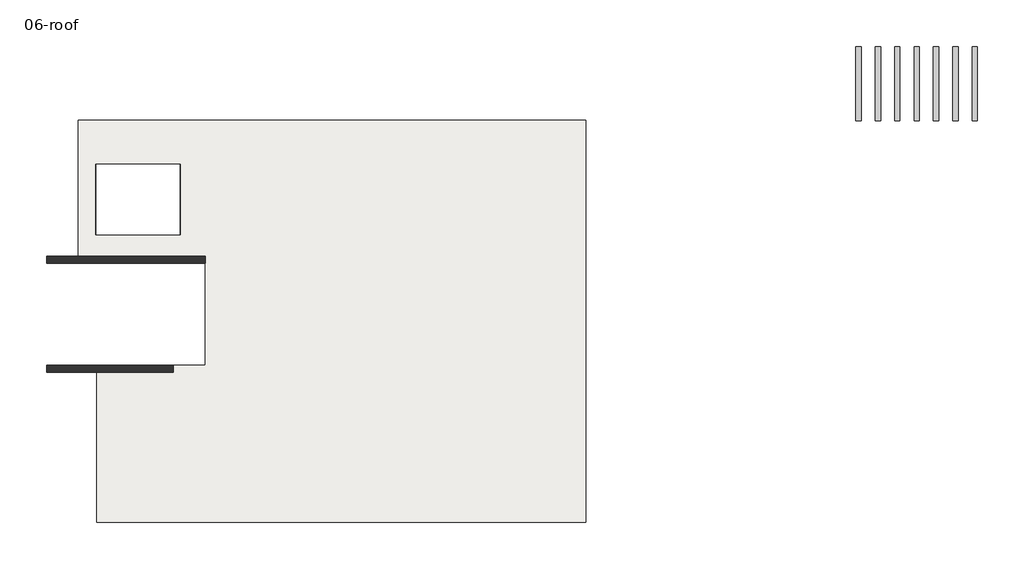
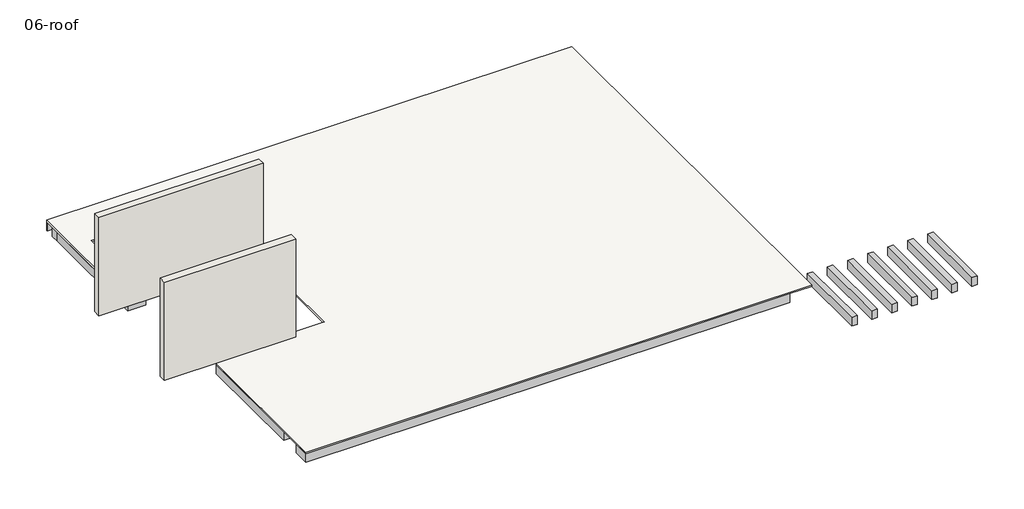
# One storey: 64 beams, 2 walls, 1 slab.
"""IFC4 building model written with IfcOpenShell, lengths in millimetres."""

from ifc_helpers import new_model, si_unit, frame, origin, place, context, project, spatial, polyline, outline, extrude, faceted_brep, element, save

model = new_model("IFC4")

# Units and contexts
model_context = context("Model", 3, world=origin())
ifc_project = project(units=[si_unit("LENGTHUNIT", "METRE", prefix="MILLI")], contexts=[model_context])

# Site, building, storey
site = spatial("IfcSite", under=ifc_project)
building = spatial("IfcBuilding", under=site)
storey = spatial("IfcBuildingStorey", under=building, Name="06-roof", Elevation=14000.0)

# Beams
placement = place(None, origin())
element("IfcBeam", 1, ObjectType="B 150 x 250 mm", at=placement, inside=storey, context=model_context, shape_type="SweptSolid", body=[
    extrude(outline(polyline([(21975.0195763, 153.106066), (21825.0195763, 153.106066), (21825.0195763, 2253.106066), (21975.0195763, 2253.106066), (21975.0195763, 153.106066)])), frame((0.0, 0.0, 3200.0), z_axis=(0.0, 0.0, 1.0), x_axis=(1.0, 0.0, 0.0)), (0.0, 0.0, 1.0), 250.0),
])
element("IfcBeam", 2, ObjectType="B 150 x 250 mm", at=placement, inside=storey, context=model_context, shape_type="SweptSolid", body=[
    extrude(outline(polyline([(22525.0195763, 153.106066), (22375.0195763, 153.106066), (22375.0195763, 2253.106066), (22525.0195763, 2253.106066), (22525.0195763, 153.106066)])), frame((0.0, 0.0, 3200.0), z_axis=(0.0, 0.0, 1.0), x_axis=(1.0, 0.0, 0.0)), (0.0, 0.0, 1.0), 250.0),
])
element("IfcBeam", 3, ObjectType="B 150 x 250 mm", at=placement, inside=storey, context=model_context, shape_type="SweptSolid", body=[
    extrude(outline(polyline([(23075.0195763, 153.106066), (22925.0195763, 153.106066), (22925.0195763, 2253.106066), (23075.0195763, 2253.106066), (23075.0195763, 153.106066)])), frame((0.0, 0.0, 3200.0), z_axis=(0.0, 0.0, 1.0), x_axis=(1.0, 0.0, 0.0)), (0.0, 0.0, 1.0), 250.0),
])
element("IfcBeam", 4, ObjectType="B 150 x 250 mm", at=placement, inside=storey, context=model_context, shape_type="SweptSolid", body=[
    extrude(outline(polyline([(23625.0195763, 153.106066), (23475.0195763, 153.106066), (23475.0195763, 2253.106066), (23625.0195763, 2253.106066), (23625.0195763, 153.106066)])), frame((0.0, 0.0, 3200.0), z_axis=(0.0, 0.0, 1.0), x_axis=(1.0, 0.0, 0.0)), (0.0, 0.0, 1.0), 250.0),
])
element("IfcBeam", 5, ObjectType="B 150 x 250 mm", at=placement, inside=storey, context=model_context, shape_type="SweptSolid", body=[
    extrude(outline(polyline([(24175.0195763, 153.106066), (24025.0195763, 153.106066), (24025.0195763, 2253.106066), (24175.0195763, 2253.106066), (24175.0195763, 153.106066)])), frame((0.0, 0.0, 3200.0), z_axis=(0.0, 0.0, 1.0), x_axis=(1.0, 0.0, 0.0)), (0.0, 0.0, 1.0), 250.0),
])
element("IfcBeam", 6, ObjectType="B 150 x 250 mm", at=placement, inside=storey, context=model_context, shape_type="SweptSolid", body=[
    extrude(outline(polyline([(24725.0195763, 153.106066), (24575.0195763, 153.106066), (24575.0195763, 2253.106066), (24725.0195763, 2253.106066), (24725.0195763, 153.106066)])), frame((0.0, 0.0, 3200.0), z_axis=(0.0, 0.0, 1.0), x_axis=(1.0, 0.0, 0.0)), (0.0, 0.0, 1.0), 250.0),
])
element("IfcBeam", 7, ObjectType="B 150 x 250 mm", at=placement, inside=storey, context=model_context, shape_type="SweptSolid", body=[
    extrude(outline(polyline([(25275.0195763, 153.106066), (25125.0195763, 153.106066), (25125.0195763, 2253.106066), (25275.0195763, 2253.106066), (25275.0195763, 153.106066)])), frame((0.0, 0.0, 3200.0), z_axis=(0.0, 0.0, 1.0), x_axis=(1.0, 0.0, 0.0)), (0.0, 0.0, 1.0), 250.0),
])
element("IfcBeam", 8, ObjectType="B 150 x 250 mm", at=placement, inside=storey, context=model_context, shape_type="SweptSolid", body=[
    extrude(outline(polyline([(10825.0390798, -346.893934), (10975.0390798, -346.893934), (10975.0390798, -3095.451857), (10825.0390798, -3095.451857), (10825.0390798, -346.893934)])), frame((0.0, 0.0, 13700.0), z_axis=(0.0, 0.0, 1.0), x_axis=(1.0, 0.0, 0.0)), (0.0, 0.0, 1.0), 250.0),
])
element("IfcBeam", 9, ObjectType="B 150 x 250 mm", at=placement, inside=storey, context=model_context, shape_type="SweptSolid", body=[
    extrude(outline(polyline([(11375.0390798, -346.893934), (11525.0390798, -346.893934), (11525.0390798, -3095.451857), (11375.0390798, -3095.451857), (11375.0390798, -346.893934)])), frame((0.0, 0.0, 13700.0), z_axis=(0.0, 0.0, 1.0), x_axis=(1.0, 0.0, 0.0)), (0.0, 0.0, 1.0), 250.0),
])
element("IfcBeam", 10, ObjectType="B 150 x 250 mm", at=placement, inside=storey, context=model_context, shape_type="SweptSolid", body=[
    extrude(outline(polyline([(11925.0390798, -346.893934), (12075.0390798, -346.893934), (12075.0390798, -3095.451857), (11925.0390798, -3095.451857), (11925.0390798, -346.893934)])), frame((0.0, 0.0, 13700.0), z_axis=(0.0, 0.0, 1.0), x_axis=(1.0, 0.0, 0.0)), (0.0, 0.0, 1.0), 250.0),
])
element("IfcBeam", 11, ObjectType="B 150 x 250 mm", at=placement, inside=storey, context=model_context, shape_type="SweptSolid", body=[
    extrude(outline(polyline([(12475.0390798, -346.893934), (12625.0390798, -346.893934), (12625.0390798, -3095.451857), (12475.0390798, -3095.451857), (12475.0390798, -346.893934)])), frame((0.0, 0.0, 13700.0), z_axis=(0.0, 0.0, 1.0), x_axis=(1.0, 0.0, 0.0)), (0.0, 0.0, 1.0), 250.0),
])
element("IfcBeam", 12, ObjectType="B 150 x 250 mm", at=placement, inside=storey, context=model_context, shape_type="SweptSolid", body=[
    extrude(outline(polyline([(13025.0390798, -346.893934), (13175.0390798, -346.893934), (13175.0390798, -3095.451857), (13025.0390798, -3095.451857), (13025.0390798, -346.893934)])), frame((0.0, 0.0, 13700.0), z_axis=(0.0, 0.0, 1.0), x_axis=(1.0, 0.0, 0.0)), (0.0, 0.0, 1.0), 250.0),
])
element("IfcBeam", 13, ObjectType="B 150 x 250 mm", at=placement, inside=storey, context=model_context, shape_type="SweptSolid", body=[
    extrude(outline(polyline([(9425.0390798, -346.893934), (9575.0390798, -346.893934), (9575.0390798, -3095.451857), (9425.0390798, -3095.451857), (9425.0390798, -346.893934)])), frame((0.0, 0.0, 13700.0), z_axis=(0.0, 0.0, 1.0), x_axis=(1.0, 0.0, 0.0)), (0.0, 0.0, 1.0), 250.0),
])
element("IfcBeam", 14, ObjectType="B 150 x 250 mm", at=placement, inside=storey, context=model_context, shape_type="SweptSolid", body=[
    extrude(outline(polyline([(8875.0390798, -346.893934), (9025.0390798, -346.893934), (9025.0390798, -3095.451857), (8875.0390798, -3095.451857), (8875.0390798, -346.893934)])), frame((0.0, 0.0, 13700.0), z_axis=(0.0, 0.0, 1.0), x_axis=(1.0, 0.0, 0.0)), (0.0, 0.0, 1.0), 250.0),
])
element("IfcBeam", 15, ObjectType="B 150 x 250 mm", at=placement, inside=storey, context=model_context, shape_type="SweptSolid", body=[
    extrude(outline(polyline([(8325.0390798, -346.893934), (8475.0390798, -346.893934), (8475.0390798, -3095.451857), (8325.0390798, -3095.451857), (8325.0390798, -346.893934)])), frame((0.0, 0.0, 13700.0), z_axis=(0.0, 0.0, 1.0), x_axis=(1.0, 0.0, 0.0)), (0.0, 0.0, 1.0), 250.0),
])
element("IfcBeam", 16, ObjectType="B 150 x 250 mm", at=placement, inside=storey, context=model_context, shape_type="SweptSolid", body=[
    extrude(outline(polyline([(7775.0390798, -346.893934), (7925.0390798, -346.893934), (7925.0390798, -3095.451857), (7775.0390798, -3095.451857), (7775.0390798, -346.893934)])), frame((0.0, 0.0, 13700.0), z_axis=(0.0, 0.0, 1.0), x_axis=(1.0, 0.0, 0.0)), (0.0, 0.0, 1.0), 250.0),
])
element("IfcBeam", 17, ObjectType="B 150 x 250 mm", at=placement, inside=storey, context=model_context, shape_type="SweptSolid", body=[
    extrude(outline(polyline([(7225.0390798, -346.893934), (7375.0390798, -346.893934), (7375.0390798, -3095.451857), (7225.0390798, -3095.451857), (7225.0390798, -346.893934)])), frame((0.0, 0.0, 13700.0), z_axis=(0.0, 0.0, 1.0), x_axis=(1.0, 0.0, 0.0)), (0.0, 0.0, 1.0), 250.0),
])
element("IfcBeam", 18, ObjectType="B 150 x 250 mm", at=placement, inside=storey, context=model_context, shape_type="SweptSolid", body=[
    extrude(outline(polyline([(5975.0195399, -346.893934), (6125.0195399, -346.893934), (6125.0195399, -3095.451857), (5975.0195399, -3095.451857), (5975.0195399, -346.893934)])), frame((0.0, 0.0, 13700.0), z_axis=(0.0, 0.0, 1.0), x_axis=(1.0, 0.0, 0.0)), (0.0, 0.0, 1.0), 250.0),
])
element("IfcBeam", 19, ObjectType="B 150 x 250 mm", at=placement, inside=storey, context=model_context, shape_type="SweptSolid", body=[
    extrude(outline(polyline([(5425.0195399, -346.893934), (5575.0195399, -346.893934), (5575.0195399, -3095.451857), (5425.0195399, -3095.451857), (5425.0195399, -346.893934)])), frame((0.0, 0.0, 13700.0), z_axis=(0.0, 0.0, 1.0), x_axis=(1.0, 0.0, 0.0)), (0.0, 0.0, 1.0), 250.0),
])
element("IfcBeam", 20, ObjectType="B 150 x 250 mm", at=placement, inside=storey, context=model_context, shape_type="SweptSolid", body=[
    extrude(outline(polyline([(4875.0195399, -346.893934), (5025.0195399, -346.893934), (5025.0195399, -3095.451857), (4875.0195399, -3095.451857), (4875.0195399, -346.893934)])), frame((0.0, 0.0, 13700.0), z_axis=(0.0, 0.0, 1.0), x_axis=(1.0, 0.0, 0.0)), (0.0, 0.0, 1.0), 250.0),
])
element("IfcBeam", 21, ObjectType="B 150 x 250 mm", at=placement, inside=storey, context=model_context, shape_type="SweptSolid", body=[
    extrude(outline(polyline([(4325.0195399, -346.893934), (4475.0195399, -346.893934), (4475.0195399, -3095.451857), (4325.0195399, -3095.451857), (4325.0195399, -346.893934)])), frame((0.0, 0.0, 13700.0), z_axis=(0.0, 0.0, 1.0), x_axis=(1.0, 0.0, 0.0)), (0.0, 0.0, 1.0), 250.0),
])
element("IfcBeam", 22, ObjectType="B 150 x 250 mm", at=placement, inside=storey, context=model_context, shape_type="SweptSolid", body=[
    extrude(outline(polyline([(3775.0195399, -346.893934), (3925.0195399, -346.893934), (3925.0195399, -3095.451857), (3775.0195399, -3095.451857), (3775.0195399, -346.893934)])), frame((0.0, 0.0, 13700.0), z_axis=(0.0, 0.0, 1.0), x_axis=(1.0, 0.0, 0.0)), (0.0, 0.0, 1.0), 250.0),
])
element("IfcBeam", 23, ObjectType="B 150 x 250 mm", at=placement, inside=storey, context=model_context, shape_type="SweptSolid", body=[
    extrude(outline(polyline([(3225.0195399, -346.893934), (3375.0195399, -346.893934), (3375.0195399, -3095.451857), (3225.0195399, -3095.451857), (3225.0195399, -346.893934)])), frame((0.0, 0.0, 13700.0), z_axis=(0.0, 0.0, 1.0), x_axis=(1.0, 0.0, 0.0)), (0.0, 0.0, 1.0), 250.0),
])
element("IfcBeam", 24, ObjectType="B 150 x 250 mm", at=placement, inside=storey, context=model_context, shape_type="Brep", body=[
    faceted_brep([(2800.0, -346.893934, 13950.0), (2800.0, -346.893934, 13700.0), (2650.0, -346.893934, 13700.0), (2650.0, -346.893934, 13950.0), (2650.0, -946.893934, 13950.0), (2650.0, -1096.893934, 13950.0), (2650.0, -3095.451857, 13950.0), (2800.0, -3095.451857, 13950.0), (2650.0, -946.893934, 13700.0), (2650.0, -1096.893934, 13700.0), (2650.0, -3095.451857, 13700.0), (2800.0, -3095.451857, 13700.0)], [[[0, 1, 2, 3]], [[0, 3, 4, 5, 6, 7]], [[3, 2, 8, 9, 10, 6, 5, 4]], [[2, 1, 11, 10, 9, 8]], [[1, 0, 7, 11]], [[7, 6, 10, 11]]]),
])
element("IfcBeam", 25, ObjectType="B 150 x 250 mm", at=placement, inside=storey, context=model_context, shape_type="SweptSolid", body=[
    extrude(outline(polyline([(10825.0390798, -3895.451857), (10975.0390798, -3895.451857), (10975.0390798, -6796.8939341), (10825.0390798, -6796.8939341), (10825.0390798, -3895.451857)])), frame((0.0, 0.0, 13700.0), z_axis=(0.0, 0.0, 1.0), x_axis=(1.0, 0.0, 0.0)), (0.0, 0.0, 1.0), 250.0),
])
element("IfcBeam", 26, ObjectType="B 150 x 250 mm", at=placement, inside=storey, context=model_context, shape_type="SweptSolid", body=[
    extrude(outline(polyline([(11375.0390798, -3895.451857), (11525.0390798, -3895.451857), (11525.0390798, -6796.8939341), (11375.0390798, -6796.8939341), (11375.0390798, -3895.451857)])), frame((0.0, 0.0, 13700.0), z_axis=(0.0, 0.0, 1.0), x_axis=(1.0, 0.0, 0.0)), (0.0, 0.0, 1.0), 250.0),
])
element("IfcBeam", 27, ObjectType="B 150 x 250 mm", at=placement, inside=storey, context=model_context, shape_type="SweptSolid", body=[
    extrude(outline(polyline([(11925.0390798, -3895.451857), (12075.0390798, -3895.451857), (12075.0390798, -6796.8939341), (11925.0390798, -6796.8939341), (11925.0390798, -3895.451857)])), frame((0.0, 0.0, 13700.0), z_axis=(0.0, 0.0, 1.0), x_axis=(1.0, 0.0, 0.0)), (0.0, 0.0, 1.0), 250.0),
])
element("IfcBeam", 28, ObjectType="B 150 x 250 mm", at=placement, inside=storey, context=model_context, shape_type="SweptSolid", body=[
    extrude(outline(polyline([(12475.0390798, -3895.451857), (12625.0390798, -3895.451857), (12625.0390798, -6796.8939341), (12475.0390798, -6796.8939341), (12475.0390798, -3895.451857)])), frame((0.0, 0.0, 13700.0), z_axis=(0.0, 0.0, 1.0), x_axis=(1.0, 0.0, 0.0)), (0.0, 0.0, 1.0), 250.0),
])
element("IfcBeam", 29, ObjectType="B 150 x 250 mm", at=placement, inside=storey, context=model_context, shape_type="SweptSolid", body=[
    extrude(outline(polyline([(13025.0390798, -3895.451857), (13175.0390798, -3895.451857), (13175.0390798, -6796.8939341), (13025.0390798, -6796.8939341), (13025.0390798, -3895.451857)])), frame((0.0, 0.0, 13700.0), z_axis=(0.0, 0.0, 1.0), x_axis=(1.0, 0.0, 0.0)), (0.0, 0.0, 1.0), 250.0),
])
element("IfcBeam", 30, ObjectType="B 150 x 250 mm", at=placement, inside=storey, context=model_context, shape_type="SweptSolid", body=[
    extrude(outline(polyline([(9425.0390798, -3895.451857), (9575.0390798, -3895.451857), (9575.0390798, -6796.8939341), (9425.0390798, -6796.8939341), (9425.0390798, -3895.451857)])), frame((0.0, 0.0, 13700.0), z_axis=(0.0, 0.0, 1.0), x_axis=(1.0, 0.0, 0.0)), (0.0, 0.0, 1.0), 250.0),
])
element("IfcBeam", 31, ObjectType="B 150 x 250 mm", at=placement, inside=storey, context=model_context, shape_type="SweptSolid", body=[
    extrude(outline(polyline([(8875.0390798, -3895.451857), (9025.0390798, -3895.451857), (9025.0390798, -6796.8939341), (8875.0390798, -6796.8939341), (8875.0390798, -3895.451857)])), frame((0.0, 0.0, 13700.0), z_axis=(0.0, 0.0, 1.0), x_axis=(1.0, 0.0, 0.0)), (0.0, 0.0, 1.0), 250.0),
])
element("IfcBeam", 32, ObjectType="B 150 x 250 mm", at=placement, inside=storey, context=model_context, shape_type="SweptSolid", body=[
    extrude(outline(polyline([(8325.0390798, -3895.451857), (8475.0390798, -3895.451857), (8475.0390798, -6796.8939341), (8325.0390798, -6796.8939341), (8325.0390798, -3895.451857)])), frame((0.0, 0.0, 13700.0), z_axis=(0.0, 0.0, 1.0), x_axis=(1.0, 0.0, 0.0)), (0.0, 0.0, 1.0), 250.0),
])
element("IfcBeam", 33, ObjectType="B 150 x 250 mm", at=placement, inside=storey, context=model_context, shape_type="SweptSolid", body=[
    extrude(outline(polyline([(7775.0390798, -3895.451857), (7925.0390798, -3895.451857), (7925.0390798, -6796.8939341), (7775.0390798, -6796.8939341), (7775.0390798, -3895.451857)])), frame((0.0, 0.0, 13700.0), z_axis=(0.0, 0.0, 1.0), x_axis=(1.0, 0.0, 0.0)), (0.0, 0.0, 1.0), 250.0),
])
element("IfcBeam", 34, ObjectType="B 150 x 250 mm", at=placement, inside=storey, context=model_context, shape_type="SweptSolid", body=[
    extrude(outline(polyline([(7225.0390798, -3895.451857), (7375.0390798, -3895.451857), (7375.0390798, -6796.8939341), (7225.0390798, -6796.8939341), (7225.0390798, -3895.451857)])), frame((0.0, 0.0, 13700.0), z_axis=(0.0, 0.0, 1.0), x_axis=(1.0, 0.0, 0.0)), (0.0, 0.0, 1.0), 250.0),
])
element("IfcBeam", 35, ObjectType="B 150 x 250 mm", at=placement, inside=storey, context=model_context, shape_type="SweptSolid", body=[
    extrude(outline(polyline([(10975.0390798, -10746.893934), (10825.0390798, -10746.893934), (10825.0390798, -7596.8939341), (10975.0390798, -7596.8939341), (10975.0390798, -10746.893934)])), frame((0.0, 0.0, 13700.0), z_axis=(0.0, 0.0, 1.0), x_axis=(1.0, 0.0, 0.0)), (0.0, 0.0, 1.0), 250.0),
])
element("IfcBeam", 36, ObjectType="B 150 x 250 mm", at=placement, inside=storey, context=model_context, shape_type="SweptSolid", body=[
    extrude(outline(polyline([(11525.0390798, -10746.893934), (11375.0390798, -10746.893934), (11375.0390798, -7596.8939341), (11525.0390798, -7596.8939341), (11525.0390798, -10746.893934)])), frame((0.0, 0.0, 13700.0), z_axis=(0.0, 0.0, 1.0), x_axis=(1.0, 0.0, 0.0)), (0.0, 0.0, 1.0), 250.0),
])
element("IfcBeam", 37, ObjectType="B 150 x 250 mm", at=placement, inside=storey, context=model_context, shape_type="SweptSolid", body=[
    extrude(outline(polyline([(12075.0390798, -10746.893934), (11925.0390798, -10746.893934), (11925.0390798, -7596.8939341), (12075.0390798, -7596.8939341), (12075.0390798, -10746.893934)])), frame((0.0, 0.0, 13700.0), z_axis=(0.0, 0.0, 1.0), x_axis=(1.0, 0.0, 0.0)), (0.0, 0.0, 1.0), 250.0),
])
element("IfcBeam", 38, ObjectType="B 150 x 250 mm", at=placement, inside=storey, context=model_context, shape_type="SweptSolid", body=[
    extrude(outline(polyline([(12625.0390798, -10746.893934), (12475.0390798, -10746.893934), (12475.0390798, -7596.8939341), (12625.0390798, -7596.8939341), (12625.0390798, -10746.893934)])), frame((0.0, 0.0, 13700.0), z_axis=(0.0, 0.0, 1.0), x_axis=(1.0, 0.0, 0.0)), (0.0, 0.0, 1.0), 250.0),
])
element("IfcBeam", 39, ObjectType="B 150 x 250 mm", at=placement, inside=storey, context=model_context, shape_type="SweptSolid", body=[
    extrude(outline(polyline([(13175.0390798, -10746.893934), (13025.0390798, -10746.893934), (13025.0390798, -7596.8939341), (13175.0390798, -7596.8939341), (13175.0390798, -10746.893934)])), frame((0.0, 0.0, 13700.0), z_axis=(0.0, 0.0, 1.0), x_axis=(1.0, 0.0, 0.0)), (0.0, 0.0, 1.0), 250.0),
])
element("IfcBeam", 40, ObjectType="B 150 x 250 mm", at=placement, inside=storey, context=model_context, shape_type="SweptSolid", body=[
    extrude(outline(polyline([(7375.0390798, -10746.893934), (7225.0390798, -10746.893934), (7225.0390798, -7596.8939341), (7375.0390798, -7596.8939341), (7375.0390798, -10746.893934)])), frame((0.0, 0.0, 13700.0), z_axis=(0.0, 0.0, 1.0), x_axis=(1.0, 0.0, 0.0)), (0.0, 0.0, 1.0), 250.0),
])
element("IfcBeam", 41, ObjectType="B 150 x 250 mm", at=placement, inside=storey, context=model_context, shape_type="SweptSolid", body=[
    extrude(outline(polyline([(7925.0390798, -10746.893934), (7775.0390798, -10746.893934), (7775.0390798, -7596.8939341), (7925.0390798, -7596.8939341), (7925.0390798, -10746.893934)])), frame((0.0, 0.0, 13700.0), z_axis=(0.0, 0.0, 1.0), x_axis=(1.0, 0.0, 0.0)), (0.0, 0.0, 1.0), 250.0),
])
element("IfcBeam", 42, ObjectType="B 150 x 250 mm", at=placement, inside=storey, context=model_context, shape_type="SweptSolid", body=[
    extrude(outline(polyline([(8475.0390798, -10746.893934), (8325.0390798, -10746.893934), (8325.0390798, -7596.8939341), (8475.0390798, -7596.8939341), (8475.0390798, -10746.893934)])), frame((0.0, 0.0, 13700.0), z_axis=(0.0, 0.0, 1.0), x_axis=(1.0, 0.0, 0.0)), (0.0, 0.0, 1.0), 250.0),
])
element("IfcBeam", 43, ObjectType="B 150 x 250 mm", at=placement, inside=storey, context=model_context, shape_type="SweptSolid", body=[
    extrude(outline(polyline([(9025.0390798, -10746.893934), (8875.0390798, -10746.893934), (8875.0390798, -7596.8939341), (9025.0390798, -7596.8939341), (9025.0390798, -10746.893934)])), frame((0.0, 0.0, 13700.0), z_axis=(0.0, 0.0, 1.0), x_axis=(1.0, 0.0, 0.0)), (0.0, 0.0, 1.0), 250.0),
])
element("IfcBeam", 44, ObjectType="B 150 x 250 mm", at=placement, inside=storey, context=model_context, shape_type="SweptSolid", body=[
    extrude(outline(polyline([(9575.0390798, -10746.893934), (9425.0390798, -10746.893934), (9425.0390798, -7596.8939341), (9575.0390798, -7596.8939341), (9575.0390798, -10746.893934)])), frame((0.0, 0.0, 13700.0), z_axis=(0.0, 0.0, 1.0), x_axis=(1.0, 0.0, 0.0)), (0.0, 0.0, 1.0), 250.0),
])
element("IfcBeam", 45, ObjectType="B 150 x 250 mm", at=placement, inside=storey, context=model_context, shape_type="SweptSolid", body=[
    extrude(outline(polyline([(888.8989593, -7596.8939341), (888.8989593, -10746.893934), (777.7588387, -10746.893934), (777.7588387, -7596.8939341), (888.8989593, -7596.8939341)])), frame((0.0, 0.0, 13700.0), z_axis=(0.0, 0.0, 1.0), x_axis=(1.0, 0.0, 0.0)), (0.0, 0.0, 1.0), 250.0),
])
element("IfcBeam", 46, ObjectType="B 150 x 250 mm", at=placement, inside=storey, context=model_context, shape_type="SweptSolid", body=[
    extrude(outline(polyline([(1438.8989593, -10746.893934), (1288.8989593, -10746.893934), (1288.8989593, -7596.8939341), (1438.8989593, -7596.8939341), (1438.8989593, -10746.893934)])), frame((0.0, 0.0, 13700.0), z_axis=(0.0, 0.0, 1.0), x_axis=(1.0, 0.0, 0.0)), (0.0, 0.0, 1.0), 250.0),
])
element("IfcBeam", 47, ObjectType="B 150 x 250 mm", at=placement, inside=storey, context=model_context, shape_type="SweptSolid", body=[
    extrude(outline(polyline([(1988.8989593, -10746.893934), (1838.8989593, -10746.893934), (1838.8989593, -7596.8939341), (1988.8989593, -7596.8939341), (1988.8989593, -10746.893934)])), frame((0.0, 0.0, 13700.0), z_axis=(0.0, 0.0, 1.0), x_axis=(1.0, 0.0, 0.0)), (0.0, 0.0, 1.0), 250.0),
])
element("IfcBeam", 48, ObjectType="B 150 x 250 mm", at=placement, inside=storey, context=model_context, shape_type="SweptSolid", body=[
    extrude(outline(polyline([(2538.8989593, -10746.893934), (2388.8989593, -10746.893934), (2388.8989593, -7596.8939341), (2538.8989593, -7596.8939341), (2538.8989593, -10746.893934)])), frame((0.0, 0.0, 13700.0), z_axis=(0.0, 0.0, 1.0), x_axis=(1.0, 0.0, 0.0)), (0.0, 0.0, 1.0), 250.0),
])
element("IfcBeam", 49, ObjectType="B 150 x 250 mm", at=placement, inside=storey, context=model_context, shape_type="SweptSolid", body=[
    extrude(outline(polyline([(3088.8989593, -10746.893934), (2938.8989593, -10746.893934), (2938.8989593, -7596.8939341), (3088.8989593, -7596.8939341), (3088.8989593, -10746.893934)])), frame((0.0, 0.0, 13700.0), z_axis=(0.0, 0.0, 1.0), x_axis=(1.0, 0.0, 0.0)), (0.0, 0.0, 1.0), 250.0),
])
element("IfcBeam", 50, ObjectType="B 150 x 250 mm", at=placement, inside=storey, context=model_context, shape_type="SweptSolid", body=[
    extrude(outline(polyline([(3638.8989593, -10746.893934), (3488.8989593, -10746.893934), (3488.8989593, -7596.8939341), (3638.8989593, -7596.8939341), (3638.8989593, -10746.893934)])), frame((0.0, 0.0, 13700.0), z_axis=(0.0, 0.0, 1.0), x_axis=(1.0, 0.0, 0.0)), (0.0, 0.0, 1.0), 250.0),
])
element("IfcBeam", 51, ObjectType="B 150 x 250 mm", at=placement, inside=storey, context=model_context, shape_type="SweptSolid", body=[
    extrude(outline(polyline([(4188.8989593, -10746.893934), (4038.8989593, -10746.893934), (4038.8989593, -7596.8939341), (4188.8989593, -7596.8939341), (4188.8989593, -10746.893934)])), frame((0.0, 0.0, 13700.0), z_axis=(0.0, 0.0, 1.0), x_axis=(1.0, 0.0, 0.0)), (0.0, 0.0, 1.0), 250.0),
])
element("IfcBeam", 52, ObjectType="B 150 x 250 mm", at=placement, inside=storey, context=model_context, shape_type="SweptSolid", body=[
    extrude(outline(polyline([(4738.8989593, -10746.893934), (4588.8989593, -10746.893934), (4588.8989593, -7596.8939341), (4738.8989593, -7596.8939341), (4738.8989593, -10746.893934)])), frame((0.0, 0.0, 13700.0), z_axis=(0.0, 0.0, 1.0), x_axis=(1.0, 0.0, 0.0)), (0.0, 0.0, 1.0), 250.0),
])
element("IfcBeam", 53, ObjectType="B 150 x 250 mm", at=placement, inside=storey, context=model_context, shape_type="SweptSolid", body=[
    extrude(outline(polyline([(5288.8989593, -10746.893934), (5138.8989593, -10746.893934), (5138.8989593, -7596.8939341), (5288.8989593, -7596.8939341), (5288.8989593, -10746.893934)])), frame((0.0, 0.0, 13700.0), z_axis=(0.0, 0.0, 1.0), x_axis=(1.0, 0.0, 0.0)), (0.0, 0.0, 1.0), 250.0),
])
element("IfcBeam", 54, ObjectType="B 150 x 250 mm", at=placement, inside=storey, context=model_context, shape_type="SweptSolid", body=[
    extrude(outline(polyline([(5838.8989593, -10746.893934), (5688.8989593, -10746.893934), (5688.8989593, -7596.8939341), (5838.8989593, -7596.8939341), (5838.8989593, -10746.893934)])), frame((0.0, 0.0, 13700.0), z_axis=(0.0, 0.0, 1.0), x_axis=(1.0, 0.0, 0.0)), (0.0, 0.0, 1.0), 250.0),
])
element("IfcBeam", 55, ObjectType="B 150 x 250 mm", at=placement, inside=storey, context=model_context, shape_type="SweptSolid", body=[
    extrude(outline(polyline([(6238.8989593, -10746.893934), (6238.8989593, -7596.8939341), (6350.0390798, -7596.8939341), (6350.0390798, -10746.893934), (6238.8989593, -10746.893934)])), frame((0.0, 0.0, 13700.0), z_axis=(0.0, 0.0, 1.0), x_axis=(1.0, 0.0, 0.0)), (0.0, 0.0, 1.0), 250.0),
])
element("IfcBeam", 56, ObjectType="B 150 x 250 mm", at=placement, inside=storey, context=model_context, shape_type="SweptSolid", body=[
    extrude(outline(polyline([(3924.0361974, -3895.451857), (4074.0361974, -3895.451857), (4074.0361974, -6796.8939341), (3924.0361974, -6796.8939341), (3924.0361974, -3895.451857)])), frame((0.0, 0.0, 13700.0), z_axis=(0.0, 0.0, 1.0), x_axis=(1.0, 0.0, 0.0)), (0.0, 0.0, 1.0), 250.0),
])
element("IfcBeam", 57, ObjectType="B 150 x 250 mm", at=placement, inside=storey, context=model_context, shape_type="SweptSolid", body=[
    extrude(outline(polyline([(4474.0361974, -3895.451857), (4624.0361974, -3895.451857), (4624.0361974, -6796.8939341), (4474.0361974, -6796.8939341), (4474.0361974, -3895.451857)])), frame((0.0, 0.0, 13700.0), z_axis=(0.0, 0.0, 1.0), x_axis=(1.0, 0.0, 0.0)), (0.0, 0.0, 1.0), 250.0),
])
element("IfcBeam", 58, ObjectType="B 150 x 250 mm", at=placement, inside=storey, context=model_context, shape_type="SweptSolid", body=[
    extrude(outline(polyline([(5024.0361974, -3895.451857), (5174.0361974, -3895.451857), (5174.0361974, -6796.8939341), (5024.0361974, -6796.8939341), (5024.0361974, -3895.451857)])), frame((0.0, 0.0, 13700.0), z_axis=(0.0, 0.0, 1.0), x_axis=(1.0, 0.0, 0.0)), (0.0, 0.0, 1.0), 250.0),
])
element("IfcBeam", 59, ObjectType="B 150 x 250 mm", at=placement, inside=storey, context=model_context, shape_type="SweptSolid", body=[
    extrude(outline(polyline([(5574.0361974, -3895.451857), (5724.0361974, -3895.451857), (5724.0361974, -6796.8939341), (5574.0361974, -6796.8939341), (5574.0361974, -3895.451857)])), frame((0.0, 0.0, 13700.0), z_axis=(0.0, 0.0, 1.0), x_axis=(1.0, 0.0, 0.0)), (0.0, 0.0, 1.0), 250.0),
])
element("IfcBeam", 60, ObjectType="B 150 x 250 mm", at=placement, inside=storey, context=model_context, shape_type="SweptSolid", body=[
    extrude(outline(polyline([(6124.0361974, -3895.451857), (6274.0361974, -3895.451857), (6274.0361974, -6796.8939341), (6124.0361974, -6796.8939341), (6124.0361974, -3895.451857)])), frame((0.0, 0.0, 13700.0), z_axis=(0.0, 0.0, 1.0), x_axis=(1.0, 0.0, 0.0)), (0.0, 0.0, 1.0), 250.0),
])
element("IfcBeam", 61, ObjectType="B5 500 x 250 mm", at=placement, inside=storey, context=model_context, shape_type="Brep", body=[
    faceted_brep([(14150.0390798, 153.106066, 13950.0), (14150.0390798, -346.893934, 13950.0), (14150.0390798, -346.893934, 13700.0), (14150.0390798, 153.106066, 13700.0), (-250.0, 153.106066, 13950.0), (-250.0, 128.106066, 13950.0), (250.0, 128.106066, 13950.0), (250.0, -121.893934, 13950.0), (-250.0, -121.893934, 13950.0), (-250.0, -346.893934, 13950.0), (250.0, -346.893934, 13950.0), (2650.0, -346.893934, 13950.0), (2800.0, -346.893934, 13950.0), (3225.0195399, -346.893934, 13950.0), (3375.0195399, -346.893934, 13950.0), (3775.0195399, -346.893934, 13950.0), (3925.0195399, -346.893934, 13950.0), (4325.0195399, -346.893934, 13950.0), (4475.0195399, -346.893934, 13950.0), (4875.0195399, -346.893934, 13950.0), (5025.0195399, -346.893934, 13950.0), (5425.0195399, -346.893934, 13950.0), (5575.0195399, -346.893934, 13950.0), (5975.0195399, -346.893934, 13950.0), (6125.0195399, -346.893934, 13950.0), (6350.0390798, -346.893934, 13950.0), (6950.0390798, -346.893934, 13950.0), (7225.0390798, -346.893934, 13950.0), (7375.0390798, -346.893934, 13950.0), (7775.0390798, -346.893934, 13950.0), (7925.0390798, -346.893934, 13950.0), (8325.0390798, -346.893934, 13950.0), (8475.0390798, -346.893934, 13950.0), (8875.0390798, -346.893934, 13950.0), (9025.0390798, -346.893934, 13950.0), (9425.0390798, -346.893934, 13950.0), (9575.0390798, -346.893934, 13950.0), (9850.0390798, -346.893934, 13950.0), (10450.0390798, -346.893934, 13950.0), (10825.0390798, -346.893934, 13950.0), (10975.0390798, -346.893934, 13950.0), (11375.0390798, -346.893934, 13950.0), (11525.0390798, -346.893934, 13950.0), (11925.0390798, -346.893934, 13950.0), (12075.0390798, -346.893934, 13950.0), (12475.0390798, -346.893934, 13950.0), (12625.0390798, -346.893934, 13950.0), (13025.0390798, -346.893934, 13950.0), (13175.0390798, -346.893934, 13950.0), (13550.0390798, -346.893934, 13950.0), (2600.0, -121.893934, 13950.0), (2600.0, 128.106066, 13950.0), (3100.0, 128.106066, 13950.0), (3100.0, -121.893934, 13950.0), (6400.0390798, -121.893934, 13950.0), (6400.0390798, 128.106066, 13950.0), (6900.0390798, 128.106066, 13950.0), (6900.0390798, -121.893934, 13950.0), (9900.0390798, -121.893934, 13950.0), (9900.0390798, 128.106066, 13950.0), (10400.0390798, 128.106066, 13950.0), (10400.0390798, -121.893934, 13950.0), (13600.0390798, -121.893934, 13950.0), (13600.0390798, 128.106066, 13950.0), (14100.0390798, 128.106066, 13950.0), (14100.0390798, -121.893934, 13950.0), (-250.0, -346.893934, 13700.0), (250.0, -346.893934, 13700.0), (2650.0, -346.893934, 13700.0), (2800.0, -346.893934, 13700.0), (3225.0195399, -346.893934, 13700.0), (3375.0195399, -346.893934, 13700.0), (3775.0195399, -346.893934, 13700.0), (3925.0195399, -346.893934, 13700.0), (4325.0195399, -346.893934, 13700.0), (4475.0195399, -346.893934, 13700.0), (4875.0195399, -346.893934, 13700.0), (5025.0195399, -346.893934, 13700.0), (5425.0195399, -346.893934, 13700.0), (5575.0195399, -346.893934, 13700.0), (5975.0195399, -346.893934, 13700.0), (6125.0195399, -346.893934, 13700.0), (6350.0390798, -346.893934, 13700.0), (6950.0390798, -346.893934, 13700.0), (7225.0390798, -346.893934, 13700.0), (7375.0390798, -346.893934, 13700.0), (7775.0390798, -346.893934, 13700.0), (7925.0390798, -346.893934, 13700.0), (8325.0390798, -346.893934, 13700.0), (8475.0390798, -346.893934, 13700.0), (8875.0390798, -346.893934, 13700.0), (9025.0390798, -346.893934, 13700.0), (9425.0390798, -346.893934, 13700.0), (9575.0390798, -346.893934, 13700.0), (9850.0390798, -346.893934, 13700.0), (10450.0390798, -346.893934, 13700.0), (10825.0390798, -346.893934, 13700.0), (10975.0390798, -346.893934, 13700.0), (11375.0390798, -346.893934, 13700.0), (11525.0390798, -346.893934, 13700.0), (11925.0390798, -346.893934, 13700.0), (12075.0390798, -346.893934, 13700.0), (12475.0390798, -346.893934, 13700.0), (12625.0390798, -346.893934, 13700.0), (13025.0390798, -346.893934, 13700.0), (13175.0390798, -346.893934, 13700.0), (13550.0390798, -346.893934, 13700.0), (-250.0, -121.893934, 13700.0), (250.0, -121.893934, 13700.0), (250.0, 128.106066, 13700.0), (-250.0, 128.106066, 13700.0), (-250.0, 153.106066, 13700.0), (2600.0, 128.106066, 13700.0), (2600.0, -121.893934, 13700.0), (3100.0, -121.893934, 13700.0), (3100.0, 128.106066, 13700.0), (6400.0390798, 128.106066, 13700.0), (6400.0390798, -121.893934, 13700.0), (6900.0390798, -121.893934, 13700.0), (6900.0390798, 128.106066, 13700.0), (9900.0390798, 128.106066, 13700.0), (9900.0390798, -121.893934, 13700.0), (10400.0390798, -121.893934, 13700.0), (10400.0390798, 128.106066, 13700.0), (13600.0390798, 128.106066, 13700.0), (13600.0390798, -121.893934, 13700.0), (14100.0390798, -121.893934, 13700.0), (14100.0390798, 128.106066, 13700.0)], [[[0, 1, 2, 3]], [[1, 0, 4, 5, 6, 7, 8, 9, 10, 11, 12, 13, 14, 15, 16, 17, 18, 19, 20, 21, 22, 23, 24, 25, 26, 27, 28, 29, 30, 31, 32, 33, 34, 35, 36, 37, 38, 39, 40, 41, 42, 43, 44, 45, 46, 47, 48, 49], [50, 51, 52, 53], [54, 55, 56, 57], [58, 59, 60, 61], [62, 63, 64, 65]], [[2, 1, 49, 48, 47, 46, 45, 44, 43, 42, 41, 40, 39, 38, 37, 36, 35, 34, 33, 32, 31, 30, 29, 28, 27, 26, 25, 24, 23, 22, 21, 20, 19, 18, 17, 16, 15, 14, 13, 12, 11, 10, 9, 66, 67, 68, 69, 70, 71, 72, 73, 74, 75, 76, 77, 78, 79, 80, 81, 82, 83, 84, 85, 86, 87, 88, 89, 90, 91, 92, 93, 94, 95, 96, 97, 98, 99, 100, 101, 102, 103, 104, 105, 106]], [[3, 2, 106, 105, 104, 103, 102, 101, 100, 99, 98, 97, 96, 95, 94, 93, 92, 91, 90, 89, 88, 87, 86, 85, 84, 83, 82, 81, 80, 79, 78, 77, 76, 75, 74, 73, 72, 71, 70, 69, 68, 67, 66, 107, 108, 109, 110, 111], [112, 113, 114, 115], [116, 117, 118, 119], [120, 121, 122, 123], [124, 125, 126, 127]], [[0, 3, 111, 4]], [[7, 108, 107, 8]], [[108, 7, 6, 109]], [[109, 6, 5, 110]], [[112, 51, 50, 113]], [[113, 50, 53, 114]], [[51, 112, 115, 52]], [[52, 115, 114, 53]], [[116, 55, 54, 117]], [[117, 54, 57, 118]], [[55, 116, 119, 56]], [[56, 119, 118, 57]], [[120, 59, 58, 121]], [[121, 58, 61, 122]], [[59, 120, 123, 60]], [[60, 123, 122, 61]], [[124, 63, 62, 125]], [[125, 62, 65, 126]], [[63, 124, 127, 64]], [[64, 127, 126, 65]], [[4, 111, 110, 5]], [[66, 9, 8, 107]]]),
])
element("IfcBeam", 62, ObjectType="B5 500 x 250 mm", at=placement, inside=storey, context=model_context, shape_type="Brep", body=[
    faceted_brep([(277.7588387, -11246.893934, 13700.0), (277.7588387, -11246.893934, 13950.0), (277.7588387, -10796.893934, 13950.0), (277.7588387, -10796.893934, 13700.0), (13550.0390798, -11246.893934, 13950.0), (13550.0390798, -10746.893934, 13950.0), (13175.0390798, -10746.893934, 13950.0), (13025.0390798, -10746.893934, 13950.0), (12625.0390798, -10746.893934, 13950.0), (12475.0390798, -10746.893934, 13950.0), (12075.0390798, -10746.893934, 13950.0), (11925.0390798, -10746.893934, 13950.0), (11525.0390798, -10746.893934, 13950.0), (11375.0390798, -10746.893934, 13950.0), (10975.0390798, -10746.893934, 13950.0), (10825.0390798, -10746.893934, 13950.0), (10450.0390798, -10746.893934, 13950.0), (9850.0390798, -10746.893934, 13950.0), (9575.0390798, -10746.893934, 13950.0), (9425.0390798, -10746.893934, 13950.0), (9025.0390798, -10746.893934, 13950.0), (8875.0390798, -10746.893934, 13950.0), (8475.0390798, -10746.893934, 13950.0), (8325.0390798, -10746.893934, 13950.0), (7925.0390798, -10746.893934, 13950.0), (7775.0390798, -10746.893934, 13950.0), (7375.0390798, -10746.893934, 13950.0), (7225.0390798, -10746.893934, 13950.0), (6950.0390798, -10746.893934, 13950.0), (6350.0390798, -10746.893934, 13950.0), (6238.8989593, -10746.893934, 13950.0), (5838.8989593, -10746.893934, 13950.0), (5688.8989593, -10746.893934, 13950.0), (5288.8989593, -10746.893934, 13950.0), (5138.8989593, -10746.893934, 13950.0), (4738.8989593, -10746.893934, 13950.0), (4588.8989593, -10746.893934, 13950.0), (4188.8989593, -10746.893934, 13950.0), (4038.8989593, -10746.893934, 13950.0), (3638.8989593, -10746.893934, 13950.0), (3488.8989593, -10746.893934, 13950.0), (3088.8989593, -10746.893934, 13950.0), (2938.8989593, -10746.893934, 13950.0), (2538.8989593, -10746.893934, 13950.0), (2388.8989593, -10746.893934, 13950.0), (1988.8989593, -10746.893934, 13950.0), (1838.8989593, -10746.893934, 13950.0), (1438.8989593, -10746.893934, 13950.0), (1288.8989593, -10746.893934, 13950.0), (888.8989593, -10746.893934, 13950.0), (777.7588387, -10746.893934, 13950.0), (527.7588387, -10746.893934, 13950.0), (527.7588387, -10796.893934, 13950.0), (6400.0390798, -11221.8939341, 13950.0), (6400.0390798, -10971.8939341, 13950.0), (6900.0390798, -10971.8939341, 13950.0), (6900.0390798, -11221.8939341, 13950.0), (9900.0390798, -11221.8939341, 13950.0), (9900.0390798, -10971.8939341, 13950.0), (10400.0390798, -10971.8939341, 13950.0), (10400.0390798, -11221.8939341, 13950.0), (13550.0390798, -11246.893934, 13700.0), (527.7588387, -10796.893934, 13700.0), (527.7588387, -10746.893934, 13700.0), (777.7588387, -10746.893934, 13700.0), (888.8989593, -10746.893934, 13700.0), (1288.8989593, -10746.893934, 13700.0), (1438.8989593, -10746.893934, 13700.0), (1838.8989593, -10746.893934, 13700.0), (1988.8989593, -10746.893934, 13700.0), (2388.8989593, -10746.893934, 13700.0), (2538.8989593, -10746.893934, 13700.0), (2938.8989593, -10746.893934, 13700.0), (3088.8989593, -10746.893934, 13700.0), (3488.8989593, -10746.893934, 13700.0), (3638.8989593, -10746.893934, 13700.0), (4038.8989593, -10746.893934, 13700.0), (4188.8989593, -10746.893934, 13700.0), (4588.8989593, -10746.893934, 13700.0), (4738.8989593, -10746.893934, 13700.0), (5138.8989593, -10746.893934, 13700.0), (5288.8989593, -10746.893934, 13700.0), (5688.8989593, -10746.893934, 13700.0), (5838.8989593, -10746.893934, 13700.0), (6238.8989593, -10746.893934, 13700.0), (6350.0390798, -10746.893934, 13700.0), (6950.0390798, -10746.893934, 13700.0), (7225.0390798, -10746.893934, 13700.0), (7375.0390798, -10746.893934, 13700.0), (7775.0390798, -10746.893934, 13700.0), (7925.0390798, -10746.893934, 13700.0), (8325.0390798, -10746.893934, 13700.0), (8475.0390798, -10746.893934, 13700.0), (8875.0390798, -10746.893934, 13700.0), (9025.0390798, -10746.893934, 13700.0), (9425.0390798, -10746.893934, 13700.0), (9575.0390798, -10746.893934, 13700.0), (9850.0390798, -10746.893934, 13700.0), (10450.0390798, -10746.893934, 13700.0), (10825.0390798, -10746.893934, 13700.0), (10975.0390798, -10746.893934, 13700.0), (11375.0390798, -10746.893934, 13700.0), (11525.0390798, -10746.893934, 13700.0), (11925.0390798, -10746.893934, 13700.0), (12075.0390798, -10746.893934, 13700.0), (12475.0390798, -10746.893934, 13700.0), (12625.0390798, -10746.893934, 13700.0), (13025.0390798, -10746.893934, 13700.0), (13175.0390798, -10746.893934, 13700.0), (13550.0390798, -10746.893934, 13700.0), (6400.0390798, -10971.8939341, 13700.0), (6400.0390798, -11221.8939341, 13700.0), (6900.0390798, -11221.8939341, 13700.0), (6900.0390798, -10971.8939341, 13700.0), (9900.0390798, -10971.8939341, 13700.0), (9900.0390798, -11221.8939341, 13700.0), (10400.0390798, -11221.8939341, 13700.0), (10400.0390798, -10971.8939341, 13700.0)], [[[0, 1, 2, 3]], [[2, 1, 4, 5, 6, 7, 8, 9, 10, 11, 12, 13, 14, 15, 16, 17, 18, 19, 20, 21, 22, 23, 24, 25, 26, 27, 28, 29, 30, 31, 32, 33, 34, 35, 36, 37, 38, 39, 40, 41, 42, 43, 44, 45, 46, 47, 48, 49, 50, 51, 52], [53, 54, 55, 56], [57, 58, 59, 60]], [[1, 0, 61, 4]], [[0, 3, 62, 63, 64, 65, 66, 67, 68, 69, 70, 71, 72, 73, 74, 75, 76, 77, 78, 79, 80, 81, 82, 83, 84, 85, 86, 87, 88, 89, 90, 91, 92, 93, 94, 95, 96, 97, 98, 99, 100, 101, 102, 103, 104, 105, 106, 107, 108, 109, 61], [110, 111, 112, 113], [114, 115, 116, 117]], [[63, 51, 50, 49, 48, 47, 46, 45, 44, 43, 42, 41, 40, 39, 38, 37, 36, 35, 34, 33, 32, 31, 30, 29, 28, 27, 26, 25, 24, 23, 22, 21, 20, 19, 18, 17, 16, 15, 14, 13, 12, 11, 10, 9, 8, 7, 6, 5, 109, 108, 107, 106, 105, 104, 103, 102, 101, 100, 99, 98, 97, 96, 95, 94, 93, 92, 91, 90, 89, 88, 87, 86, 85, 84, 83, 82, 81, 80, 79, 78, 77, 76, 75, 74, 73, 72, 71, 70, 69, 68, 67, 66, 65, 64]], [[110, 54, 53, 111]], [[111, 53, 56, 112]], [[54, 110, 113, 55]], [[52, 62, 3, 2]], [[62, 52, 51, 63]], [[55, 113, 112, 56]], [[114, 58, 57, 115]], [[115, 57, 60, 116]], [[58, 114, 117, 59]], [[59, 117, 116, 60]], [[5, 4, 61, 109]]]),
])
element("IfcBeam", 63, ObjectType="B5 500 x 250 mm", at=placement, inside=storey, context=model_context, shape_type="Brep", body=[
    faceted_brep([(250.0, -346.893934, 13950.0), (-250.0, -346.893934, 13950.0), (-250.0, -3696.893934, 13950.0), (250.0, -3696.893934, 13950.0), (250.0, -3096.893934, 13950.0), (250.0, -3095.451857, 13950.0), (250.0, -1096.893934, 13950.0), (250.0, -946.893934, 13950.0), (-250.0, -346.893934, 13700.0), (-250.0, -3696.893934, 13700.0), (250.0, -346.893934, 13700.0), (250.0, -946.893934, 13700.0), (250.0, -1096.893934, 13700.0), (250.0, -3095.451857, 13700.0), (250.0, -3696.893934, 13700.0)], [[[0, 1, 2, 3, 4, 5, 6, 7]], [[1, 8, 9, 2]], [[8, 10, 11, 12, 13, 14, 9]], [[10, 0, 7, 6, 5, 4, 3, 14, 13, 12, 11]], [[1, 0, 10, 8]], [[3, 2, 9, 14]]]),
])
element("IfcBeam", 64, ObjectType="B5 500 x 250 mm", at=placement, inside=storey, context=model_context, shape_type="Brep", body=[
    faceted_brep([(777.7588387, -6996.8939341, 13950.0), (277.7588387, -6996.8939341, 13950.0), (277.7588387, -10196.893934, 13950.0), (527.7588387, -10196.893934, 13950.0), (527.7588387, -10746.893934, 13950.0), (777.7588387, -10746.893934, 13950.0), (777.7588387, -7596.8939341, 13950.0), (777.7588387, -6996.8939341, 13700.0), (777.7588387, -10746.893934, 13700.0), (777.7588387, -7596.8939341, 13700.0), (277.7588387, -6996.8939341, 13700.0), (527.7588387, -10746.893934, 13700.0), (527.7588387, -10196.893934, 13700.0), (277.7588387, -10196.893934, 13700.0)], [[[0, 1, 2, 3, 4, 5, 6]], [[7, 0, 6, 5, 8, 9]], [[10, 7, 9, 8, 11, 12, 13]], [[1, 10, 13, 2]], [[1, 0, 7, 10]], [[8, 5, 4, 11]], [[12, 3, 2, 13]], [[3, 12, 11, 4]]]),
])

# Slab
element("IfcSlab", 65, at=placement, inside=storey, context=model_context, shape_type="Brep", body=[
    faceted_brep([(14150.0390798, 153.106066, 13950.0), (14150.0390798, -346.893934, 13950.0), (14150.0390798, -11246.893934, 13950.0), (13550.0390798, -11246.893934, 13950.0), (277.7588387, -11246.893934, 13950.0), (277.7588387, -10796.893934, 13950.0), (277.7588387, -10196.893934, 13950.0), (277.7588387, -6996.8939341, 13950.0), (777.7588387, -6996.8939341, 13950.0), (2450.0, -6996.8939341, 13950.0), (2450.0, -6796.8939341, 13950.0), (3348.0333149, -6796.8939341, 13950.0), (3348.0333149, -3896.893934, 13950.0), (3348.0333149, -3696.893934, 13950.0), (250.0, -3696.893934, 13950.0), (-250.0, -3696.893934, 13950.0), (-250.0, -346.893934, 13950.0), (-250.0, -121.893934, 13950.0), (-250.0, 128.106066, 13950.0), (-250.0, 153.106066, 13950.0), (2650.0, -1096.893934, 13950.0), (250.0, -1096.893934, 13950.0), (250.0, -3096.893934, 13950.0), (2650.0, -3096.893934, 13950.0), (2650.0, -3095.451857, 13950.0), (14150.0390798, -11246.893934, 14000.0), (14150.0390798, 153.106066, 14000.0), (-250.0, 153.106066, 14000.0), (-250.0, -3696.893934, 14000.0), (3348.0333149, -3696.893934, 14000.0), (3348.0333149, -6796.8939341, 14000.0), (2450.0, -6796.8939341, 14000.0), (2450.0, -6996.8939341, 14000.0), (277.7588387, -6996.8939341, 14000.0), (277.7588387, -11246.893934, 14000.0), (250.0, -1096.893934, 14000.0), (2650.0, -1096.893934, 14000.0), (2650.0, -3096.893934, 14000.0), (250.0, -3096.893934, 14000.0)], [[[0, 1, 2, 3, 4, 5, 6, 7, 8, 9, 10, 11, 12, 13, 14, 15, 16, 17, 18, 19], [20, 21, 22, 23, 24]], [[25, 26, 27, 28, 29, 30, 31, 32, 33, 34], [35, 36, 37, 38]], [[2, 1, 0, 26, 25]], [[4, 3, 2, 25, 34]], [[7, 6, 5, 4, 34, 33]], [[9, 8, 7, 33, 32]], [[10, 9, 32, 31]], [[11, 10, 31, 30]], [[13, 12, 11, 30, 29]], [[15, 14, 13, 29, 28]], [[19, 18, 17, 16, 15, 28, 27]], [[0, 19, 27, 26]], [[20, 36, 35, 21]], [[21, 35, 38, 22]], [[22, 38, 37, 23]], [[36, 20, 24, 23, 37]]]),
])

# Walls
element("IfcWall", 66, at=placement, inside=storey, context=model_context, shape_type="SweptSolid", body=[
    extrude(outline(polyline([(3350.0, -3896.893934), (-1150.0, -3896.893934), (-1150.0, -3696.893934), (3350.0, -3696.893934), (3350.0, -3896.893934)])), frame((0.0, 0.0, 14000.0), z_axis=(0.0, 0.0, 1.0), x_axis=(1.0, 0.0, 0.0)), (0.0, 0.0, 1.0), 2850.0),
])
element("IfcWall", 67, at=placement, inside=storey, context=model_context, shape_type="SweptSolid", body=[
    extrude(outline(polyline([(2450.0, -6996.8939341), (-1150.0, -6996.8939341), (-1150.0, -6796.8939341), (2450.0, -6796.8939341), (2450.0, -6996.8939341)])), frame((0.0, 0.0, 14000.0), z_axis=(0.0, 0.0, 1.0), x_axis=(1.0, 0.0, 0.0)), (0.0, 0.0, 1.0), 2850.0),
])

save(model, "model.ifc")
